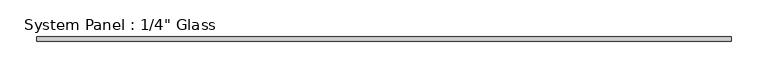
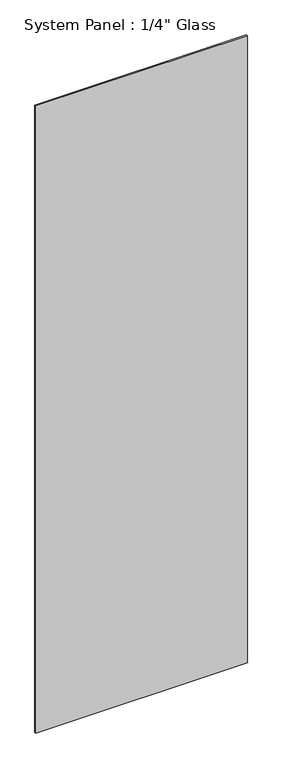
"""IFC4 building model written with IfcOpenShell, lengths in millimetres: plate geometry."""

from ifc_helpers import new_model, si_unit, frame, origin, place, context, project, spatial, polyline, outline, extrude, source, transform, mapped, element, save


def plate_fbff743e(model_context):
    return source(origin(), model_context, "Body", "SweptSolid", [
        extrude(outline(polyline([(0.0, -472.6408815), (0.0, 472.6408815), (1498.6, 472.6408815), (2959.1, 472.6408815), (2959.1, -472.6408815), (1498.6, -472.6408815), (0.0, -472.6408815)])), frame((0.0, -3.175, 0.0), z_axis=(0.0, 1.0, 0.0), x_axis=(0.0, 0.0, 1.0)), (0.0, 0.0, 1.0), 6.35),
    ])


if __name__ == "__main__":
    model = new_model("IFC4")
    model_context = context("Model", 3, world=origin())
    ifc_project = project(units=[si_unit("LENGTHUNIT", "METRE", prefix="MILLI")], contexts=[model_context])
    site = spatial("IfcSite", under=ifc_project)
    building = spatial("IfcBuilding", under=site)
    placement = place(None, origin())
    plate_shape = plate_fbff743e(model_context)
    element("IfcPlate", 1, ObjectType="System Panel : 1/4\" Glass", at=placement, inside=building, context=model_context, shape_type="MappedRepresentation", body=[
        mapped(plate_shape, transform((0.0, 0.0, 0.0), x_axis=(1.0, 0.0, 0.0), y_axis=(0.0, 1.0, 0.0), z_axis=(0.0, 0.0, 1.0))),
    ])
    save(model, "model.ifc")
